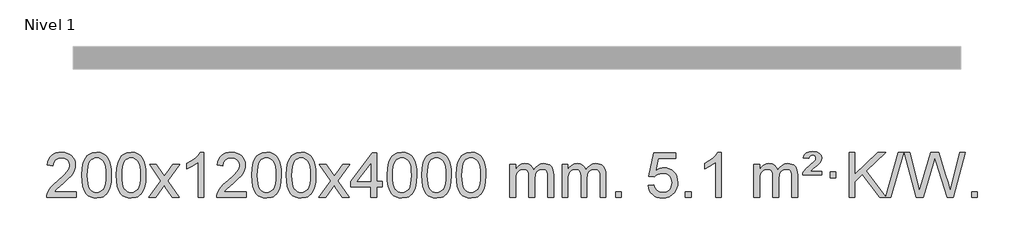
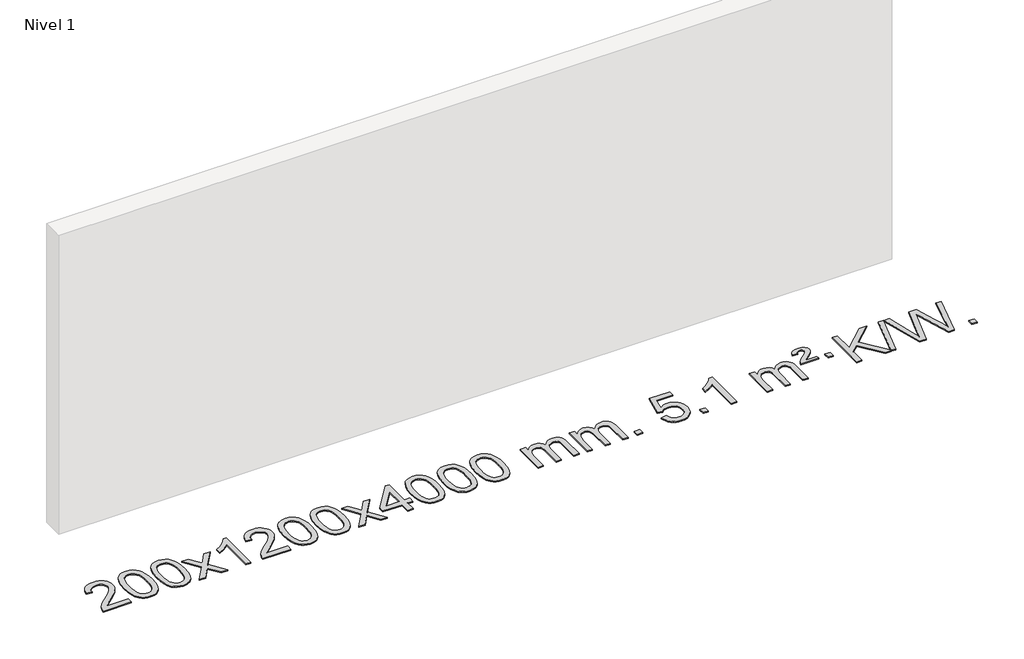
# One storey, part 2 of 7: 1 proxy.
"""IFC4 building model written with IfcOpenShell, lengths in millimetres."""

from ifc_helpers import new_model, si_unit, origin, origin_with_axes, place, context, project, spatial, polyline, outline, extrude, element, save

model = new_model("IFC4")

# Units and contexts
model_context = context("Model", 3, world=origin())
ifc_project = project(units=[si_unit("LENGTHUNIT", "METRE", prefix="MILLI")], contexts=[model_context])

# Site, building, storey
site = spatial("IfcSite", under=ifc_project)
building = spatial("IfcBuilding", under=site)
storey = spatial("IfcBuildingStorey", under=building, Name="Nivel 1", Elevation=0.0)

# Proxy
placement = place(None, origin())
element("IfcBuildingElementProxy", 1, Name="Texto de modelo 1", ObjectType="Texto de modelo 1", at=placement, inside=storey, context=model_context, shape_type="SweptSolid", body=[
    extrude(outline(polyline([(-206.3978655, -12345.3512979), (-206.3978655, -12395.579453), (-470.0956797, -12395.579453), (-468.9920337, -12377.8965918), (-464.7000771, -12360.9494945), (-452.3147166, -12333.8856424), (-434.190397, -12307.6311307), (-407.9726734, -12280.1503456), (-371.3071012, -12249.4076736), (-317.1058206, -12201.2641831), (-284.5850522, -12165.7267824), (-268.3246681, -12136.884834), (-262.90454, -12108.8277005), (-268.0180997, -12083.6768347), (-283.3587789, -12062.7688747), (-306.9400148, -12048.6789943), (-336.7752446, -12043.9823675), (-368.1065279, -12048.5686297), (-392.4480532, -12062.3274163), (-408.1566144, -12084.1796068), (-413.5890052, -12113.0460807), (-463.8171603, -12106.7675613), (-459.4976125, -12080.838012), (-451.6402663, -12058.1826125), (-440.2451215, -12038.8013627), (-425.3121781, -12022.6942627), (-407.1847928, -12010.0329907), (-386.206322, -12000.989225), (-362.3767658, -11995.5629655), (-335.6961241, -11993.7542124), (-308.7763591, -11995.7653006), (-284.8180442, -12001.7985654), (-263.8211793, -12011.8540066), (-245.7857645, -12025.9316242), (-231.3004109, -12042.9890861), (-220.9537298, -12061.9840598), (-214.7457211, -12082.9165453), (-212.6763849, -12105.7865427), (-214.9082024, -12129.8092369), (-221.6036547, -12153.4149983), (-233.4862431, -12177.4254299), (-251.2794689, -12202.6621347), (-279.6431708, -12232.7916701), (-323.2371872, -12271.4805933), (-381.0191859, -12319.795762), (-403.6807168, -12345.3512979), (-206.3978655, -12345.3512979)])), origin_with_axes(), (0.0, 0.0, 1.0), 10.0),
    extrude(outline(polyline([(-156.1697105, -12197.9041943), (-152.4786278, -12133.5861588), (-141.4053797, -12082.2911459), (-123.0603309, -12043.2343407), (-111.2022679, -12028.0009605), (-97.5538459, -12015.6309284), (-82.0690796, -12006.0598651), (-64.7019837, -11999.2233914), (-24.3208034, -11993.7542124), (6.6303351, -11996.991574), (34.3441121, -12006.7036586), (57.5206778, -12022.5103217), (74.8601825, -12044.0314184), (87.9567815, -12071.0830078), (98.4046302, -12103.4811488), (105.2472353, -12144.6226186), (107.5281037, -12197.9041943), (103.8738092, -12261.8543477), (92.9109257, -12313.0267333), (74.6762415, -12352.1203266), (62.8457697, -12367.3996922), (49.2065447, -12379.8341036), (33.7033843, -12389.4695462), (16.2811061, -12396.3520052), (-24.3208034, -12401.8579724), (-51.9855294, -12399.4667394), (-76.5109958, -12392.2930405), (-97.8972024, -12380.3368757), (-116.1441494, -12363.5982449), (-133.6553324, -12333.3399508), (-146.1633202, -12295.6381776), (-153.6681129, -12250.4929255), (-156.1697105, -12197.9041943)]), holes=[polyline([(-105.9415554, -12197.8060924), (-104.4700274, -12241.4706195), (-100.0554435, -12276.8148822), (-92.6978036, -12303.8388804), (-82.3971077, -12322.5426142), (-69.9381708, -12335.2682656), (-56.1058078, -12344.3580165), (-40.9000186, -12349.8118671), (-24.3208034, -12351.6298173), (-7.7415881, -12349.8057357), (7.464201, -12344.3334911), (21.296564, -12335.2130833), (33.7555009, -12322.4445124), (44.0561968, -12303.7101217), (51.4138367, -12276.6922549), (55.8284206, -12241.3909118), (57.2999486, -12197.8060924), (55.8774716, -12155.2973278), (51.6100404, -12120.5753989), (44.4976552, -12093.6403055), (34.5403158, -12074.4920476), (22.2898454, -12061.1440625), (8.2980668, -12051.6097875), (-7.4350198, -12045.8892225), (-24.9094146, -12043.9823675), (-41.4027907, -12045.6623619), (-56.3510624, -12050.7023452), (-69.7542298, -12059.1023175), (-81.6122928, -12070.8622786), (-92.2563452, -12091.708925), (-99.8592397, -12119.8151094), (-104.4209765, -12155.1808319), (-105.9415554, -12197.8060924)])]), origin_with_axes(), (0.0, 0.0, 1.0), 10.0),
    extrude(outline(polyline([(151.4777394, -12197.9041943), (155.1688221, -12133.5861588), (166.2420701, -12082.2911459), (184.5871189, -12043.2343407), (196.4451819, -12028.0009605), (210.0936039, -12015.6309284), (225.5783702, -12006.0598651), (242.9454661, -11999.2233914), (283.3266464, -11993.7542124), (314.277785, -11996.991574), (341.9915619, -12006.7036586), (365.1681276, -12022.5103217), (382.5076323, -12044.0314184), (395.6042314, -12071.0830078), (406.05208, -12103.4811488), (412.8946851, -12144.6226186), (415.1755535, -12197.9041943), (411.521259, -12261.8543477), (400.5583756, -12313.0267333), (382.3236913, -12352.1203266), (370.4932195, -12367.3996922), (356.8539945, -12379.8341036), (341.3508341, -12389.4695462), (323.928556, -12396.3520052), (283.3266464, -12401.8579724), (255.6619204, -12399.4667394), (231.1364541, -12392.2930405), (209.7502474, -12380.3368757), (191.5033004, -12363.5982449), (173.9921175, -12333.3399508), (161.4841296, -12295.6381776), (153.9793369, -12250.4929255), (151.4777394, -12197.9041943)]), holes=[polyline([(201.7058944, -12197.8060924), (203.1774224, -12241.4706195), (207.5920064, -12276.8148822), (214.9496463, -12303.8388804), (225.2503421, -12322.5426142), (237.709279, -12335.2682656), (251.5416421, -12344.3580165), (266.7474312, -12349.8118671), (283.3266464, -12351.6298173), (299.9058617, -12349.8057357), (315.1116508, -12344.3334911), (328.9440138, -12335.2130833), (341.4029507, -12322.4445124), (351.7036466, -12303.7101217), (359.0612865, -12276.6922549), (363.4758705, -12241.3909118), (364.9473984, -12197.8060924), (363.5249214, -12155.2973278), (359.2574902, -12120.5753989), (352.145105, -12093.6403055), (342.1877657, -12074.4920476), (329.9372952, -12061.1440625), (315.9455167, -12051.6097875), (300.21243, -12045.8892225), (282.7380352, -12043.9823675), (266.2446591, -12045.6623619), (251.2963874, -12050.7023452), (237.89322, -12059.1023175), (226.0351571, -12070.8622786), (215.3911047, -12091.708925), (207.7882101, -12119.8151094), (203.2264734, -12155.1808319), (201.7058944, -12197.8060924)])]), origin_with_axes(), (0.0, 0.0, 1.0), 10.0),
    extrude(outline(polyline([(440.2896311, -12395.579453), (547.6130718, -12247.2494325), (446.5681504, -12100.4890419), (506.9988995, -12100.4890419), (555.7555266, -12171.122385), (578.5151594, -12204.4770192), (598.2336343, -12177.2047007), (653.7592901, -12100.4890419), (714.1900392, -12100.4890419), (608.0438209, -12247.2494325), (710.2659646, -12395.579453), (649.8352155, -12395.579453), (588.3253459, -12306.4048574), (577.0436314, -12290.1199477), (500.7203801, -12395.579453), (440.2896311, -12395.579453)])), origin_with_axes(), (0.0, 0.0, 1.0), 10.0),
    extrude(outline(polyline([(930.014143, -12395.579453), (879.785988, -12395.579453), (879.785988, -12082.4382987), (858.8167142, -12099.3976587), (832.2065832, -12116.3324932), (779.3296778, -12141.6918254), (779.3296778, -12094.2105225), (818.7788904, -12072.7507395), (852.9551278, -12047.219729), (879.8963526, -12020.0700378), (897.6405275, -11993.7542124), (930.014143, -11993.7542124), (930.014143, -12395.579453)])), origin_with_axes(), (0.0, 0.0, 1.0), 10.0),
    extrude(outline(polyline([(1306.7253061, -12345.3512979), (1306.7253061, -12395.579453), (1043.0274919, -12395.579453), (1044.1311379, -12377.8965918), (1048.4230945, -12360.9494945), (1060.808455, -12333.8856424), (1078.9327747, -12307.6311307), (1105.1504982, -12280.1503456), (1141.8160704, -12249.4076736), (1196.017351, -12201.2641831), (1228.5381194, -12165.7267824), (1244.7985036, -12136.884834), (1250.2186316, -12108.8277005), (1245.1050719, -12083.6768347), (1229.7643927, -12062.7688747), (1206.1831568, -12048.6789943), (1176.347927, -12043.9823675), (1145.0166437, -12048.5686297), (1120.6751184, -12062.3274163), (1104.9665572, -12084.1796068), (1099.5341664, -12113.0460807), (1049.3060113, -12106.7675613), (1053.6255591, -12080.838012), (1061.4829054, -12058.1826125), (1072.8780502, -12038.8013627), (1087.8109935, -12022.6942627), (1105.9383788, -12010.0329907), (1126.9168496, -12000.989225), (1150.7464058, -11995.5629655), (1177.4270475, -11993.7542124), (1204.3468125, -11995.7653006), (1228.3051275, -12001.7985654), (1249.3019923, -12011.8540066), (1267.3374071, -12025.9316242), (1281.8227607, -12042.9890861), (1292.1694418, -12061.9840598), (1298.3774505, -12082.9165453), (1300.4467867, -12105.7865427), (1298.2149693, -12129.8092369), (1291.519517, -12153.4149983), (1279.6369285, -12177.4254299), (1261.8437027, -12202.6621347), (1233.4800009, -12232.7916701), (1189.8859844, -12271.4805933), (1132.1039857, -12319.795762), (1109.4424548, -12345.3512979), (1306.7253061, -12345.3512979)])), origin_with_axes(), (0.0, 0.0, 1.0), 10.0),
    extrude(outline(polyline([(1356.9534612, -12197.9041943), (1360.6445439, -12133.5861588), (1371.7177919, -12082.2911459), (1390.0628407, -12043.2343407), (1401.9209037, -12028.0009605), (1415.5693257, -12015.6309284), (1431.054092, -12006.0598651), (1448.4211879, -11999.2233914), (1488.8023682, -11993.7542124), (1519.7535068, -11996.991574), (1547.4672837, -12006.7036586), (1570.6438494, -12022.5103217), (1587.9833541, -12044.0314184), (1601.0799532, -12071.0830078), (1611.5278018, -12103.4811488), (1618.3704069, -12144.6226186), (1620.6512753, -12197.9041943), (1616.9969808, -12261.8543477), (1606.0340974, -12313.0267333), (1587.7994131, -12352.1203266), (1575.9689413, -12367.3996922), (1562.3297163, -12379.8341036), (1546.8265559, -12389.4695462), (1529.4042778, -12396.3520052), (1488.8023682, -12401.8579724), (1461.1376422, -12399.4667394), (1436.6121759, -12392.2930405), (1415.2259692, -12380.3368757), (1396.9790222, -12363.5982449), (1379.4678393, -12333.3399508), (1366.9598514, -12295.6381776), (1359.4550587, -12250.4929255), (1356.9534612, -12197.9041943)]), holes=[polyline([(1407.1816162, -12197.8060924), (1408.6531442, -12241.4706195), (1413.0677282, -12276.8148822), (1420.4253681, -12303.8388804), (1430.7260639, -12322.5426142), (1443.1850008, -12335.2682656), (1457.0173639, -12344.3580165), (1472.223153, -12349.8118671), (1488.8023682, -12351.6298173), (1505.3815835, -12349.8057357), (1520.5873726, -12344.3334911), (1534.4197356, -12335.2130833), (1546.8786725, -12322.4445124), (1557.1793684, -12303.7101217), (1564.5370083, -12276.6922549), (1568.9515923, -12241.3909118), (1570.4231202, -12197.8060924), (1569.0006432, -12155.2973278), (1564.733212, -12120.5753989), (1557.6208268, -12093.6403055), (1547.6634875, -12074.4920476), (1535.413017, -12061.1440625), (1521.4212385, -12051.6097875), (1505.6881518, -12045.8892225), (1488.213757, -12043.9823675), (1471.7203809, -12045.6623619), (1456.7721092, -12050.7023452), (1443.3689418, -12059.1023175), (1431.5108789, -12070.8622786), (1420.8668265, -12091.708925), (1413.2639319, -12119.8151094), (1408.7021952, -12155.1808319), (1407.1816162, -12197.8060924)])]), origin_with_axes(), (0.0, 0.0, 1.0), 10.0),
    extrude(outline(polyline([(1664.600911, -12197.9041943), (1668.2919937, -12133.5861588), (1679.3652417, -12082.2911459), (1697.7102906, -12043.2343407), (1709.5683535, -12028.0009605), (1723.2167756, -12015.6309284), (1738.7015419, -12006.0598651), (1756.0686377, -11999.2233914), (1796.4498181, -11993.7542124), (1827.4009566, -11996.991574), (1855.1147336, -12006.7036586), (1878.2912993, -12022.5103217), (1895.630804, -12044.0314184), (1908.727403, -12071.0830078), (1919.1752517, -12103.4811488), (1926.0178568, -12144.6226186), (1928.2987251, -12197.9041943), (1924.6444307, -12261.8543477), (1913.6815472, -12313.0267333), (1895.446863, -12352.1203266), (1883.6163911, -12367.3996922), (1869.9771662, -12379.8341036), (1854.4740058, -12389.4695462), (1837.0517276, -12396.3520052), (1796.4498181, -12401.8579724), (1768.785092, -12399.4667394), (1744.2596257, -12392.2930405), (1722.873419, -12380.3368757), (1704.6264721, -12363.5982449), (1687.1152891, -12333.3399508), (1674.6073013, -12295.6381776), (1667.1025086, -12250.4929255), (1664.600911, -12197.9041943)]), holes=[polyline([(1714.8290661, -12197.8060924), (1716.3005941, -12241.4706195), (1720.715178, -12276.8148822), (1728.0728179, -12303.8388804), (1738.3735138, -12322.5426142), (1750.8324507, -12335.2682656), (1764.6648137, -12344.3580165), (1779.8706028, -12349.8118671), (1796.4498181, -12351.6298173), (1813.0290333, -12349.8057357), (1828.2348225, -12344.3334911), (1842.0671855, -12335.2130833), (1854.5261224, -12322.4445124), (1864.8268182, -12303.7101217), (1872.1844581, -12276.6922549), (1876.5990421, -12241.3909118), (1878.0705701, -12197.8060924), (1876.648093, -12155.2973278), (1872.3806619, -12120.5753989), (1865.2682766, -12093.6403055), (1855.3109373, -12074.4920476), (1843.0604669, -12061.1440625), (1829.0686883, -12051.6097875), (1813.3356016, -12045.8892225), (1795.8612069, -12043.9823675), (1779.3678308, -12045.6623619), (1764.419559, -12050.7023452), (1751.0163917, -12059.1023175), (1739.1583287, -12070.8622786), (1728.5142763, -12091.708925), (1720.9113817, -12119.8151094), (1716.349645, -12155.1808319), (1714.8290661, -12197.8060924)])]), origin_with_axes(), (0.0, 0.0, 1.0), 10.0),
    extrude(outline(polyline([(1953.4128027, -12395.579453), (2060.7362434, -12247.2494325), (1959.6913221, -12100.4890419), (2020.1220711, -12100.4890419), (2068.8786982, -12171.122385), (2091.638331, -12204.4770192), (2111.3568059, -12177.2047007), (2166.8824617, -12100.4890419), (2227.3132108, -12100.4890419), (2121.1669925, -12247.2494325), (2223.3891362, -12395.579453), (2162.9583871, -12395.579453), (2101.4485175, -12306.4048574), (2090.166803, -12290.1199477), (2013.8435518, -12395.579453), (1953.4128027, -12395.579453)])), origin_with_axes(), (0.0, 0.0, 1.0), 10.0),
    extrude(outline(polyline([(2418.0232371, -12395.579453), (2418.0232371, -12301.4016622), (2235.946175, -12301.4016622), (2235.946175, -12251.1735072), (2430.5802759, -12000.0327318), (2468.2513922, -12000.0327318), (2468.2513922, -12251.1735072), (2518.4795473, -12251.1735072), (2518.4795473, -12301.4016622), (2468.2513922, -12301.4016622), (2468.2513922, -12395.579453), (2418.0232371, -12395.579453)]), holes=[polyline([(2418.0232371, -12251.1735072), (2418.0232371, -12095.9763561), (2297.7503502, -12251.1735072), (2418.0232371, -12251.1735072)])]), origin_with_axes(), (0.0, 0.0, 1.0), 10.0),
    extrude(outline(polyline([(2562.429183, -12197.9041943), (2566.1202656, -12133.5861588), (2577.1935137, -12082.2911459), (2595.5385625, -12043.2343407), (2607.3966255, -12028.0009605), (2621.0450475, -12015.6309284), (2636.5298138, -12006.0598651), (2653.8969097, -11999.2233914), (2694.27809, -11993.7542124), (2725.2292286, -11996.991574), (2752.9430055, -12006.7036586), (2776.1195712, -12022.5103217), (2793.4590759, -12044.0314184), (2806.555675, -12071.0830078), (2817.0035236, -12103.4811488), (2823.8461287, -12144.6226186), (2826.1269971, -12197.9041943), (2822.4727026, -12261.8543477), (2811.5098192, -12313.0267333), (2793.2751349, -12352.1203266), (2781.4446631, -12367.3996922), (2767.8054381, -12379.8341036), (2752.3022777, -12389.4695462), (2734.8799996, -12396.3520052), (2694.27809, -12401.8579724), (2666.613364, -12399.4667394), (2642.0878976, -12392.2930405), (2620.701691, -12380.3368757), (2602.454744, -12363.5982449), (2584.9435611, -12333.3399508), (2572.4355732, -12295.6381776), (2564.9307805, -12250.4929255), (2562.429183, -12197.9041943)]), holes=[polyline([(2612.657338, -12197.8060924), (2614.128866, -12241.4706195), (2618.54345, -12276.8148822), (2625.9010899, -12303.8388804), (2636.2017857, -12322.5426142), (2648.6607226, -12335.2682656), (2662.4930856, -12344.3580165), (2677.6988748, -12349.8118671), (2694.27809, -12351.6298173), (2710.8573053, -12349.8057357), (2726.0630944, -12344.3334911), (2739.8954574, -12335.2130833), (2752.3543943, -12322.4445124), (2762.6550902, -12303.7101217), (2770.0127301, -12276.6922549), (2774.427314, -12241.3909118), (2775.898842, -12197.8060924), (2774.476365, -12155.2973278), (2770.2089338, -12120.5753989), (2763.0965486, -12093.6403055), (2753.1392093, -12074.4920476), (2740.8887388, -12061.1440625), (2726.8969603, -12051.6097875), (2711.1638736, -12045.8892225), (2693.6894788, -12043.9823675), (2677.1961027, -12045.6623619), (2662.247831, -12050.7023452), (2648.8446636, -12059.1023175), (2636.9866007, -12070.8622786), (2626.3425483, -12091.708925), (2618.7396537, -12119.8151094), (2614.1779169, -12155.1808319), (2612.657338, -12197.8060924)])]), origin_with_axes(), (0.0, 0.0, 1.0), 10.0),
    extrude(outline(polyline([(2870.0766328, -12197.9041943), (2873.7677155, -12133.5861588), (2884.8409635, -12082.2911459), (2903.1860124, -12043.2343407), (2915.0440753, -12028.0009605), (2928.6924974, -12015.6309284), (2944.1772637, -12006.0598651), (2961.5443595, -11999.2233914), (3001.9255399, -11993.7542124), (3032.8766784, -11996.991574), (3060.5904554, -12006.7036586), (3083.7670211, -12022.5103217), (3101.1065258, -12044.0314184), (3114.2031248, -12071.0830078), (3124.6509735, -12103.4811488), (3131.4935786, -12144.6226186), (3133.7744469, -12197.9041943), (3130.1201525, -12261.8543477), (3119.157269, -12313.0267333), (3100.9225848, -12352.1203266), (3089.0921129, -12367.3996922), (3075.452888, -12379.8341036), (3059.9497276, -12389.4695462), (3042.5274494, -12396.3520052), (3001.9255399, -12401.8579724), (2974.2608138, -12399.4667394), (2949.7353475, -12392.2930405), (2928.3491408, -12380.3368757), (2910.1021939, -12363.5982449), (2892.5910109, -12333.3399508), (2880.0830231, -12295.6381776), (2872.5782304, -12250.4929255), (2870.0766328, -12197.9041943)]), holes=[polyline([(2920.3047879, -12197.8060924), (2921.7763158, -12241.4706195), (2926.1908998, -12276.8148822), (2933.5485397, -12303.8388804), (2943.8492356, -12322.5426142), (2956.3081725, -12335.2682656), (2970.1405355, -12344.3580165), (2985.3463246, -12349.8118671), (3001.9255399, -12351.6298173), (3018.5047551, -12349.8057357), (3033.7105442, -12344.3334911), (3047.5429073, -12335.2130833), (3060.0018442, -12322.4445124), (3070.30254, -12303.7101217), (3077.6601799, -12276.6922549), (3082.0747639, -12241.3909118), (3083.5462919, -12197.8060924), (3082.1238148, -12155.2973278), (3077.8563837, -12120.5753989), (3070.7439984, -12093.6403055), (3060.7866591, -12074.4920476), (3048.5361887, -12061.1440625), (3034.5444101, -12051.6097875), (3018.8113234, -12045.8892225), (3001.3369287, -12043.9823675), (2984.8435526, -12045.6623619), (2969.8952808, -12050.7023452), (2956.4921135, -12059.1023175), (2944.6340505, -12070.8622786), (2933.9899981, -12091.708925), (2926.3871035, -12119.8151094), (2921.8253668, -12155.1808319), (2920.3047879, -12197.8060924)])]), origin_with_axes(), (0.0, 0.0, 1.0), 10.0),
    extrude(outline(polyline([(3177.7240826, -12197.9041943), (3181.4151653, -12133.5861588), (3192.4884134, -12082.2911459), (3210.8334622, -12043.2343407), (3222.6915252, -12028.0009605), (3236.3399472, -12015.6309284), (3251.8247135, -12006.0598651), (3269.1918094, -11999.2233914), (3309.5729897, -11993.7542124), (3340.5241282, -11996.991574), (3368.2379052, -12006.7036586), (3391.4144709, -12022.5103217), (3408.7539756, -12044.0314184), (3421.8505746, -12071.0830078), (3432.2984233, -12103.4811488), (3439.1410284, -12144.6226186), (3441.4218968, -12197.9041943), (3437.7676023, -12261.8543477), (3426.8047188, -12313.0267333), (3408.5700346, -12352.1203266), (3396.7395628, -12367.3996922), (3383.1003378, -12379.8341036), (3367.5971774, -12389.4695462), (3350.1748992, -12396.3520052), (3309.5729897, -12401.8579724), (3281.9082637, -12399.4667394), (3257.3827973, -12392.2930405), (3235.9965907, -12380.3368757), (3217.7496437, -12363.5982449), (3200.2384607, -12333.3399508), (3187.7304729, -12295.6381776), (3180.2256802, -12250.4929255), (3177.7240826, -12197.9041943)]), holes=[polyline([(3227.9522377, -12197.8060924), (3229.4237657, -12241.4706195), (3233.8383496, -12276.8148822), (3241.1959895, -12303.8388804), (3251.4966854, -12322.5426142), (3263.9556223, -12335.2682656), (3277.7879853, -12344.3580165), (3292.9937744, -12349.8118671), (3309.5729897, -12351.6298173), (3326.1522049, -12349.8057357), (3341.3579941, -12344.3334911), (3355.1903571, -12335.2130833), (3367.649294, -12322.4445124), (3377.9499899, -12303.7101217), (3385.3076298, -12276.6922549), (3389.7222137, -12241.3909118), (3391.1937417, -12197.8060924), (3389.7712646, -12155.2973278), (3385.5038335, -12120.5753989), (3378.3914483, -12093.6403055), (3368.4341089, -12074.4920476), (3356.1836385, -12061.1440625), (3342.1918599, -12051.6097875), (3326.4587733, -12045.8892225), (3308.9843785, -12043.9823675), (3292.4910024, -12045.6623619), (3277.5427307, -12050.7023452), (3264.1395633, -12059.1023175), (3252.2815003, -12070.8622786), (3241.6374479, -12091.708925), (3234.0345534, -12119.8151094), (3229.4728166, -12155.1808319), (3227.9522377, -12197.8060924)])]), origin_with_axes(), (0.0, 0.0, 1.0), 10.0),
    extrude(outline(polyline([(3654.8915558, -12395.579453), (3654.8915558, -12100.4890419), (3705.1197109, -12100.4890419), (3705.1197109, -12149.0494653), (3720.2273982, -12126.7435537), (3739.6515675, -12109.2691589), (3762.7300314, -12097.9751816), (3788.8006021, -12094.2105225), (3816.7351082, -12098.048758), (3839.126859, -12109.5634645), (3855.8532271, -12127.9943524), (3866.7915851, -12152.5811324), (3885.0998457, -12127.0439906), (3905.9832803, -12108.803175), (3929.4418888, -12097.8586857), (3955.4756714, -12094.2105225), (3975.5834881, -12095.7280358), (3993.2326268, -12100.2805755), (4008.4230875, -12107.8681416), (4021.1548702, -12118.4907342), (4031.2195085, -12132.2709806), (4038.4085358, -12149.3315082), (4042.7219522, -12169.6723168), (4044.1597577, -12193.2934066), (4044.1597577, -12395.579453), (3993.9316026, -12395.579453), (3993.9316026, -12214.875817), (3992.7666429, -12189.8230531), (3989.271764, -12172.9372695), (3982.7234645, -12161.3735121), (3972.3982431, -12152.2868268), (3959.1177031, -12146.4007149), (3943.7034475, -12144.4386776), (3916.4924426, -12149.4663982), (3894.3091583, -12164.54956), (3885.7037853, -12176.1194488), (3879.5570903, -12190.7182326), (3874.6397343, -12229.0024856), (3874.6397343, -12395.579453), (3824.4115792, -12395.579453), (3824.4115792, -12209.2840106), (3821.5053115, -12180.8835206), (3812.7865082, -12160.6254854), (3797.445829, -12148.4853796), (3774.6739335, -12144.4386776), (3755.3233405, -12147.1364789), (3737.4933265, -12155.2298828), (3722.7780467, -12168.5226856), (3712.7716564, -12186.8186835), (3707.0326973, -12212.2025411), (3705.1197109, -12246.7589232), (3705.1197109, -12395.579453), (3654.8915558, -12395.579453)])), origin_with_axes(), (0.0, 0.0, 1.0), 10.0),
    extrude(outline(polyline([(4119.5019903, -12395.579453), (4119.5019903, -12100.4890419), (4169.7301454, -12100.4890419), (4169.7301454, -12149.0494653), (4184.8378326, -12126.7435537), (4204.262002, -12109.2691589), (4227.3404658, -12097.9751816), (4253.4110365, -12094.2105225), (4281.3455427, -12098.048758), (4303.7372935, -12109.5634645), (4320.4636615, -12127.9943524), (4331.4020195, -12152.5811324), (4349.7102801, -12127.0439906), (4370.5937147, -12108.803175), (4394.0523233, -12097.8586857), (4420.0861058, -12094.2105225), (4440.1939225, -12095.7280358), (4457.8430612, -12100.2805755), (4473.033522, -12107.8681416), (4485.7653047, -12118.4907342), (4495.8299429, -12132.2709806), (4503.0189703, -12149.3315082), (4507.3323866, -12169.6723168), (4508.7701921, -12193.2934066), (4508.7701921, -12395.579453), (4458.542037, -12395.579453), (4458.542037, -12214.875817), (4457.3770774, -12189.8230531), (4453.8821984, -12172.9372695), (4447.3338989, -12161.3735121), (4437.0086776, -12152.2868268), (4423.7281376, -12146.4007149), (4408.313882, -12144.4386776), (4381.1028771, -12149.4663982), (4358.9195927, -12164.54956), (4350.3142197, -12176.1194488), (4344.1675247, -12190.7182326), (4339.2501687, -12229.0024856), (4339.2501687, -12395.579453), (4289.0220137, -12395.579453), (4289.0220137, -12209.2840106), (4286.1157459, -12180.8835206), (4277.3969426, -12160.6254854), (4262.0562634, -12148.4853796), (4239.2843679, -12144.4386776), (4219.933775, -12147.1364789), (4202.1037609, -12155.2298828), (4187.3884811, -12168.5226856), (4177.3820909, -12186.8186835), (4171.6431317, -12212.2025411), (4169.7301454, -12246.7589232), (4169.7301454, -12395.579453), (4119.5019903, -12395.579453)])), origin_with_axes(), (0.0, 0.0, 1.0), 10.0),
    extrude(outline(polyline([(4596.6694635, -12395.579453), (4596.6694635, -12345.3512979), (4646.8976186, -12345.3512979), (4646.8976186, -12395.579453), (4596.6694635, -12395.579453)])), origin_with_axes(), (0.0, 0.0, 1.0), 10.0),
    extrude(outline(polyline([(4885.4813552, -12288.8446235), (4935.7095102, -12282.5661041), (4944.9310856, -12312.7201649), (4961.0197915, -12334.3148381), (4983.9020516, -12347.3010725), (5013.5042895, -12351.6298173), (5032.6341532, -12350.1245668), (5049.5076741, -12345.6088153), (5064.124852, -12338.0825628), (5076.4856871, -12327.5458094), (5086.3142677, -12314.519721), (5093.3346824, -12299.5254641), (5098.9510142, -12263.6324441), (5093.6903017, -12229.8363514), (5087.114411, -12215.9181493), (5077.9081641, -12203.9865099), (5066.0409041, -12194.4154467), (5051.4819741, -12187.5789729), (5014.2891044, -12182.1097939), (4989.9230536, -12184.2925604), (4970.1923159, -12190.8408599), (4954.4347038, -12200.8717757), (4941.9880296, -12213.5023908), (4891.7598746, -12207.2238715), (4935.7095102, -12000.0327318), (5130.3436112, -12000.0327318), (5130.3436112, -12050.2608869), (4976.3236825, -12050.2608869), (4954.839374, -12160.919791), (4972.5651548, -12148.2155994), (4990.7201313, -12139.1411769), (5009.3043034, -12133.6965234), (5028.3176712, -12131.8816388), (5052.7787582, -12134.1318504), (5075.247151, -12140.882485), (5095.7228497, -12152.1335427), (5114.2058543, -12167.8850234), (5129.5066796, -12187.1743027), (5140.4358406, -12209.038756), (5146.9933371, -12233.4783832), (5149.1791693, -12260.4931844), (5147.2110006, -12286.5147042), (5141.3064946, -12310.7213394), (5131.4656512, -12333.1130902), (5117.6884705, -12353.6899565), (5096.8172987, -12374.7634634), (5072.4635106, -12389.8159684), (5044.6271063, -12398.8474714), (5013.3080858, -12401.8579724), (4987.3877335, -12399.9235262), (4963.9751102, -12394.1201877), (4943.0702158, -12384.447957), (4924.6730504, -12370.9068338), (4909.3660937, -12354.1712688), (4897.7318256, -12334.915712), (4889.7702461, -12313.1401636), (4885.4813552, -12288.8446235)])), origin_with_axes(), (0.0, 0.0, 1.0), 10.0),
    extrude(outline(polyline([(5218.2428825, -12395.579453), (5218.2428825, -12345.3512979), (5268.4710376, -12345.3512979), (5268.4710376, -12395.579453), (5218.2428825, -12395.579453)])), origin_with_axes(), (0.0, 0.0, 1.0), 10.0),
    extrude(outline(polyline([(5538.4473711, -12395.579453), (5488.2192161, -12395.579453), (5488.2192161, -12082.4382987), (5467.2499423, -12099.3976587), (5440.6398114, -12116.3324932), (5387.7629059, -12141.6918254), (5387.7629059, -12094.2105225), (5427.2121185, -12072.7507395), (5461.3883559, -12047.219729), (5488.3295807, -12020.0700378), (5506.0737556, -11993.7542124), (5538.4473711, -11993.7542124), (5538.4473711, -12395.579453)])), origin_with_axes(), (0.0, 0.0, 1.0), 10.0),
    extrude(outline(polyline([(5827.2592628, -12395.579453), (5827.2592628, -12100.4890419), (5877.4874179, -12100.4890419), (5877.4874179, -12149.0494653), (5892.5951052, -12126.7435537), (5912.0192745, -12109.2691589), (5935.0977383, -12097.9751816), (5961.1683091, -12094.2105225), (5989.1028152, -12098.048758), (6011.494566, -12109.5634645), (6028.2209341, -12127.9943524), (6039.159292, -12152.5811324), (6057.4675527, -12127.0439906), (6078.3509873, -12108.803175), (6101.8095958, -12097.8586857), (6127.8433783, -12094.2105225), (6147.9511951, -12095.7280358), (6165.6003338, -12100.2805755), (6180.7907945, -12107.8681416), (6193.5225772, -12118.4907342), (6203.5872155, -12132.2709806), (6210.7762428, -12149.3315082), (6215.0896592, -12169.6723168), (6216.5274647, -12193.2934066), (6216.5274647, -12395.579453), (6166.2993096, -12395.579453), (6166.2993096, -12214.875817), (6165.1343499, -12189.8230531), (6161.639471, -12172.9372695), (6155.0911715, -12161.3735121), (6144.7659501, -12152.2868268), (6131.4854101, -12146.4007149), (6116.0711545, -12144.4386776), (6088.8601496, -12149.4663982), (6066.6768653, -12164.54956), (6058.0714923, -12176.1194488), (6051.9247973, -12190.7182326), (6047.0074413, -12229.0024856), (6047.0074413, -12395.579453), (5996.7792862, -12395.579453), (5996.7792862, -12209.2840106), (5993.8730184, -12180.8835206), (5985.1542152, -12160.6254854), (5969.813536, -12148.4853796), (5947.0416405, -12144.4386776), (5927.6910475, -12147.1364789), (5909.8610335, -12155.2298828), (5895.1457537, -12168.5226856), (5885.1393634, -12186.8186835), (5879.4004043, -12212.2025411), (5877.4874179, -12246.7589232), (5877.4874179, -12395.579453), (5827.2592628, -12395.579453)])), origin_with_axes(), (0.0, 0.0, 1.0), 10.0),
    extrude(outline(polyline([(6260.4771003, -12194.6668327), (6264.3030731, -12178.8479069), (6272.6417317, -12162.9799302), (6294.1505656, -12137.8413272), (6326.1072483, -12110.1030247), (6370.2530877, -12072.726214), (6377.3899984, -12061.1992448), (6379.7689686, -12049.3779701), (6377.8805077, -12037.2869152), (6372.215125, -12027.5012541), (6362.8463969, -12021.026531), (6349.8478997, -12018.8682899), (6337.4134883, -12020.4869707), (6328.5597949, -12025.343013), (6322.1341227, -12034.8098431), (6316.9837748, -12050.2608869), (6266.7556197, -12043.9823675), (6277.5958759, -12018.7701881), (6294.224142, -12001.2099542), (6317.9893189, -11990.9092583), (6350.2403072, -11987.475693), (6386.0229626, -11991.6082341), (6410.7691581, -12004.0058573), (6425.1901323, -12022.3386434), (6429.9971237, -12044.2766731), (6425.9013708, -12067.1834586), (6413.6141122, -12088.8149199), (6393.0862969, -12108.6314968), (6356.6169284, -12136.6886303), (6331.0123416, -12163.2742358), (6429.9971237, -12163.2742358), (6429.9971237, -12194.6668327), (6260.4771003, -12194.6668327)])), origin_with_axes(), (0.0, 0.0, 1.0), 10.0),
    extrude(outline(polyline([(6505.3393563, -12219.7809102), (6505.3393563, -12169.5527552), (6555.5675114, -12169.5527552), (6555.5675114, -12219.7809102), (6505.3393563, -12219.7809102)])), origin_with_axes(), (0.0, 0.0, 1.0), 10.0),
    extrude(outline(polyline([(6946.2091394, -12395.579453), (6792.7778219, -12192.9009991), (6725.0875348, -12257.4520265), (6725.0875348, -12395.579453), (6674.8593797, -12395.579453), (6674.8593797, -11993.7542124), (6725.0875348, -11993.7542124), (6725.0875348, -12190.4484525), (6931.1014521, -11993.7542124), (7001.3423877, -11993.7542124), (6828.388799, -12158.9577537), (7003.0424089, -12389.5349332), (7114.3557366, -11993.7542124), (7159.6787984, -11993.7542124), (7046.6654495, -12395.579453), (7007.6209071, -12395.579453), (7001.3423877, -12395.579453), (6946.2091394, -12395.579453)])), origin_with_axes(), (0.0, 0.0, 1.0), 10.0),
    extrude(outline(polyline([(7274.1636753, -12395.579453), (7164.5838917, -11993.7542124), (7216.3816766, -11993.7542124), (7279.9516854, -12257.844434), (7299.5720585, -12339.3670841), (7320.5658576, -12267.2622131), (7400.2245723, -11993.7542124), (7474.8800919, -11993.7542124), (7532.7601925, -12192.0180823), (7557.5554389, -12265.5944814), (7575.8269114, -12339.3670841), (7594.8586732, -12260.1988788), (7659.0172932, -11993.7542124), (7710.8150781, -11993.7542124), (7601.1371926, -12395.579453), (7547.4754723, -12395.579453), (7451.1394405, -12085.5775584), (7437.6994849, -12042.3146358), (7422.5917976, -12094.4067263), (7334.7906281, -12395.579453), (7274.1636753, -12395.579453)])), origin_with_axes(), (0.0, 0.0, 1.0), 10.0),
    extrude(outline(polyline([(7767.3217526, -12395.579453), (7767.3217526, -12345.3512979), (7817.5499077, -12345.3512979), (7817.5499077, -12395.579453), (7767.3217526, -12395.579453)])), origin_with_axes(), (0.0, 0.0, 1.0), 10.0),
])

save(model, "model.ifc")
